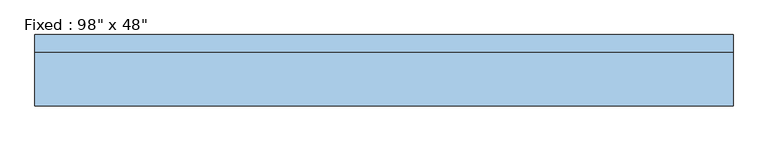
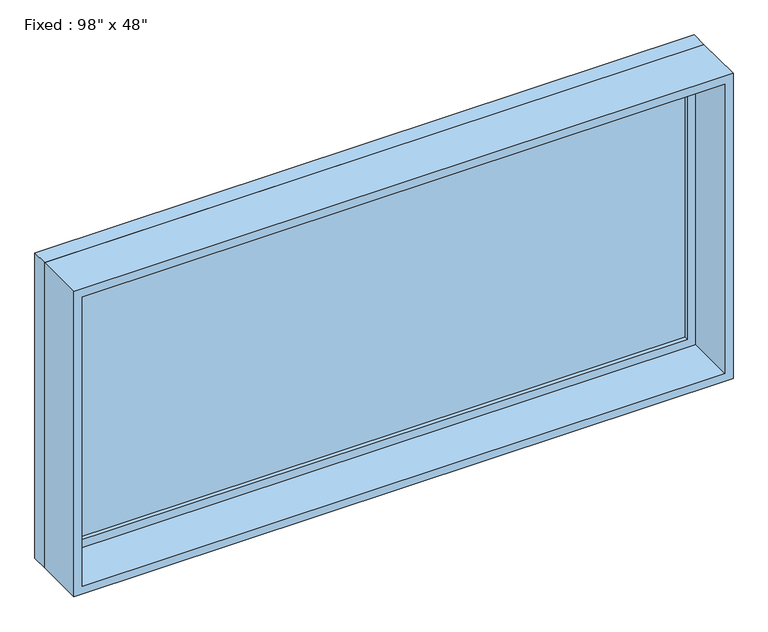
"""IFC4 building model written with IfcOpenShell, lengths in millimetres: window geometry."""

from ifc_helpers import new_model, si_unit, frame, origin, place, context, project, spatial, polyline, outline, extrude, source, transform, mapped, element, save


def window_ea88a7bc(model_context):
    return source(origin(), model_context, "Body", "SweptSolid", [
        extrude(outline(polyline([(1143.0, 79.375), (-1219.2, 79.375), (-1219.2, 92.075), (1143.0, 92.075), (1143.0, 79.375)])), frame((0.0, 0.0, 368.3), z_axis=(0.0, 0.0, 1.0), x_axis=(1.0, 0.0, 0.0)), (0.0, 0.0, 1.0), 1092.2),
        extrude(outline(polyline([(1504.95, -1263.65), (323.85, -1263.65), (323.85, 1187.45), (1504.95, 1187.45), (1504.95, -1263.65)]), holes=[polyline([(1460.5, -1219.2), (1460.5, 1143.0), (368.3, 1143.0), (368.3, -1219.2), (1460.5, -1219.2)])]), frame((0.0, 63.5, 0.0), z_axis=(0.0, 1.0, 0.0), x_axis=(0.0, 0.0, 1.0)), (0.0, 0.0, 1.0), 44.45),
        extrude(outline(polyline([(1524.0, -1282.7), (304.8, -1282.7), (304.8, 1206.5), (1524.0, 1206.5), (1524.0, -1282.7)]), holes=[polyline([(1492.25, -1250.95), (1492.25, 1174.75), (336.55, 1174.75), (336.55, -1250.95), (1492.25, -1250.95)])]), frame((0.0, -127.0, 0.0), z_axis=(0.0, 1.0, 0.0), x_axis=(0.0, 0.0, 1.0)), (0.0, 0.0, 1.0), 190.5),
        extrude(outline(polyline([(1524.0, 1206.5), (1524.0, -1282.7), (304.8, -1282.7), (304.8, 1206.5), (1524.0, 1206.5)]), holes=[polyline([(1504.95, 1187.45), (323.85, 1187.45), (323.85, -1263.65), (1504.95, -1263.65), (1504.95, 1187.45)])]), frame((0.0, 63.5, 0.0), z_axis=(0.0, 1.0, 0.0), x_axis=(0.0, 0.0, 1.0)), (0.0, 0.0, 1.0), 63.5),
    ])


if __name__ == "__main__":
    model = new_model("IFC4")
    model_context = context("Model", 3, world=origin())
    ifc_project = project(units=[si_unit("LENGTHUNIT", "METRE", prefix="MILLI")], contexts=[model_context])
    site = spatial("IfcSite", under=ifc_project)
    building = spatial("IfcBuilding", under=site)
    placement = place(None, origin())
    window_shape = window_ea88a7bc(model_context)
    element("IfcWindow", 1, ObjectType="Fixed : 98\" x 48\"", at=placement, inside=building, context=model_context, shape_type="MappedRepresentation", body=[
        mapped(window_shape, transform((0.0, 0.0, 0.0), x_axis=(1.0, 0.0, 0.0), y_axis=(0.0, 1.0, 0.0), z_axis=(0.0, 0.0, 1.0))),
    ])
    save(model, "model.ifc")
